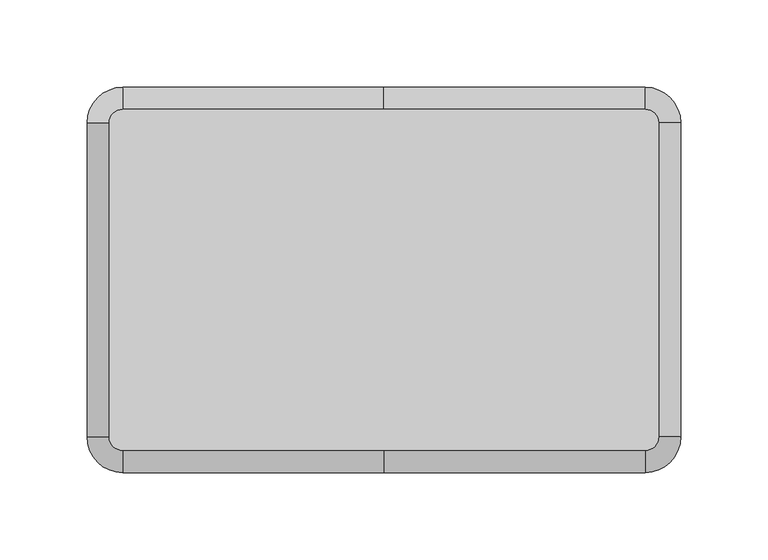
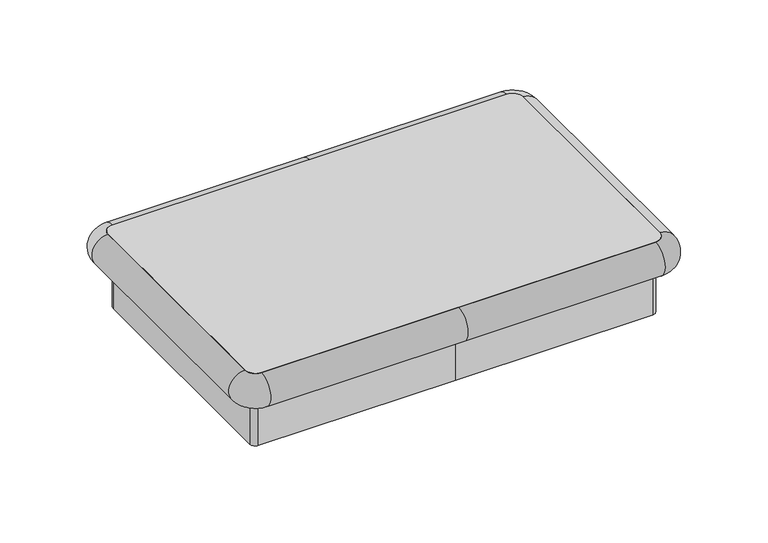
"""IFC4 building model written with IfcOpenShell, lengths in millimetres: proxy geometry."""

from ifc_helpers import new_model, si_unit, point, frame, frame_2d, origin, place, context, project, spatial, polyline, circle_curve, ellipse_curve, trimmed, segment, composite_curve, outline, extrude, source, transform, mapped, element, save
from ifc_brep_helpers import plane_surface, cylinder_surface, revolved_surface, advanced_brep


def specialty_equipment_e327c646(model_context):
    return source(origin(), model_context, "Body", "SolidModel", [
        extrude(outline(composite_curve([segment(trimmed(circle_curve(frame_2d((-149.8055776, -324.7825708)), 7.7557177), [point((-157.5612953, -324.7825708))], [point((-149.8055776, -317.0268531))], False, "CARTESIAN"), True, "CONTINUOUS"), segment(polyline([(-149.8055776, -317.0268531), (149.8055776, -317.0268531)]), True, "CONTINUOUS"), segment(trimmed(circle_curve(frame_2d((149.8055776, -324.7825708)), 7.7557177), [point((149.8055776, -317.0268531))], [point((157.5612953, -324.7825708))], False, "CARTESIAN"), True, "CONTINUOUS"), segment(polyline([(157.5612953, -324.7825708), (157.5612953, -504.9305104)]), True, "CONTINUOUS"), segment(trimmed(circle_curve(frame_2d((149.8055776, -504.9305104)), 7.7557177), [point((157.5612953, -504.9305104))], [point((149.8055776, -512.6862281))], False, "CARTESIAN"), True, "CONTINUOUS"), segment(polyline([(149.8055776, -512.6862281), (-149.8055776, -512.6862281)]), True, "CONTINUOUS"), segment(trimmed(circle_curve(frame_2d((-149.8055776, -504.9305104)), 7.7557177), [point((-149.8055776, -512.6862281))], [point((-157.5612953, -504.9305104))], False, "CARTESIAN"), True, "CONTINUOUS"), segment(polyline([(-157.5612953, -504.9305104), (-157.5612953, -324.7825708)]), True, "CONTINUOUS")], self_intersect=False)), frame((0.0, 0.0, 949.9203125), z_axis=(0.0, 0.0, 1.0), x_axis=(1.0, 0.0, 0.0)), (0.0, 0.0, 1.0), 25.4),
        advanced_brep(
        [(-157.5612953, -324.7825708, 975.3203125), (-149.8055776, -317.0268531, 975.3203125), (-149.8055776, -317.0268531, 949.9203125), (-157.5612953, -324.7825708, 949.9203125), (-157.5612953, -504.9305104, 949.9203125), (-157.5612953, -504.9305104, 975.3203125), (-149.8055776, -512.6862281, 975.3203125), (-149.8055776, -512.6862281, 949.9203125), (0.0, -512.6862281, 949.9203125), (0.0, -512.6862281, 975.3203125), (149.8055776, -512.6862281, 975.3203125), (149.8055776, -512.6862281, 949.9203125), (157.5612953, -504.9305104, 975.3203125), (157.5612953, -504.9305104, 949.9203125), (157.5612953, -324.7825708, 949.9203125), (157.5612953, -324.7825708, 975.3203125), (149.8055776, -317.0268531, 975.3203125), (149.8055776, -317.0268531, 949.9203125), (0.0, -317.0268531, 949.9203125), (0.0, -317.0268531, 975.3203125)],
        [
            (0, 1, circle_curve(frame((-149.8055776, -324.7825708, 975.3203125), z_axis=(0.0, 0.0, -1.0), x_axis=(0.0, 1.0, 0.0)), 7.7557177)),
            (1, 2, circle_curve(frame((-149.8055776, -317.0268531, 962.6203125), z_axis=(-1.0, 0.0, 0.0), x_axis=(0.0, 1.0, 0.0)), 12.7)),
            (2, 3, circle_curve(frame((-149.8055776, -324.7825708, 949.9203125), z_axis=(0.0, 0.0, 1.0), x_axis=(0.0, 1.0, 0.0)), 7.7557177)),
            (3, 0, circle_curve(frame((-157.5612953, -324.7825708, 962.6203125), z_axis=(0.0, 1.0, 0.0), x_axis=(-1.0, 0.0, 0.0)), 12.7)),
            (2, 1),
            (0, 3),
            (3, 4),
            (4, 5, circle_curve(frame((-157.5612953, -504.9305104, 962.6203125), z_axis=(0.0, 1.0, 0.0), x_axis=(-1.0, 0.0, 0.0)), 12.7)),
            (5, 0),
            (5, 4),
            (6, 5, circle_curve(frame((-149.8055776, -504.9305104, 975.3203125), z_axis=(0.0, 0.0, -1.0), x_axis=(-1.0, 0.0, 0.0)), 7.7557177)),
            (4, 7, circle_curve(frame((-149.8055776, -504.9305104, 949.9203125), z_axis=(0.0, 0.0, 1.0), x_axis=(-1.0, 0.0, 0.0)), 7.7557177)),
            (7, 6, circle_curve(frame((-149.8055776, -512.6862281, 962.6203125), z_axis=(-1.0, 0.0, 0.0), x_axis=(0.0, -1.0, 0.0)), 12.7)),
            (6, 7),
            (7, 8),
            (8, 9, circle_curve(frame((0.0, -512.6862281, 962.6203125), z_axis=(-1.0, 0.0, 0.0), x_axis=(0.0, -1.0, 0.0)), 12.7)),
            (9, 6),
            (9, 10),
            (10, 11),
            (11, 8),
            (11, 10, circle_curve(frame((149.8055776, -512.6862281, 962.6203125), z_axis=(-1.0, 0.0, 0.0), x_axis=(0.0, -1.0, 0.0)), 12.7)),
            (12, 10, circle_curve(frame((149.8055776, -504.9305104, 975.3203125), z_axis=(0.0, 0.0, -1.0), x_axis=(0.0, -1.0, 0.0)), 7.7557177)),
            (11, 13, circle_curve(frame((149.8055776, -504.9305104, 949.9203125), z_axis=(0.0, 0.0, 1.0), x_axis=(0.0, -1.0, 0.0)), 7.7557177)),
            (13, 12, circle_curve(frame((157.5612953, -504.9305104, 962.6203125), z_axis=(0.0, -1.0, 0.0), x_axis=(1.0, 0.0, 0.0)), 12.7)),
            (12, 13),
            (13, 14),
            (14, 15, circle_curve(frame((157.5612953, -324.7825708, 962.6203125), z_axis=(0.0, -1.0, 0.0), x_axis=(1.0, 0.0, 0.0)), 12.7)),
            (15, 12),
            (15, 14),
            (16, 15, circle_curve(frame((149.8055776, -324.7825708, 975.3203125), z_axis=(0.0, 0.0, -1.0), x_axis=(1.0, 0.0, 0.0)), 7.7557177)),
            (14, 17, circle_curve(frame((149.8055776, -324.7825708, 949.9203125), z_axis=(0.0, 0.0, 1.0), x_axis=(1.0, 0.0, 0.0)), 7.7557177)),
            (17, 16, circle_curve(frame((149.8055776, -317.0268531, 962.6203125), z_axis=(1.0, 0.0, 0.0), x_axis=(0.0, 1.0, 0.0)), 12.7)),
            (16, 17),
            (17, 18),
            (18, 19, circle_curve(frame((0.0, -317.0268531, 962.6203125), z_axis=(1.0, 0.0, 0.0), x_axis=(0.0, 1.0, 0.0)), 12.7)),
            (19, 16),
            (19, 1),
            (2, 18),
        ],
        [
            revolved_surface(trimmed(ellipse_curve(frame((-149.8055776, -317.0268531, 962.6203125), z_axis=(1.0, 0.0, 0.0), x_axis=(0.0, 1.0, 0.0)), 12.7, 12.7), [point((-149.8055776, -317.0268531, 949.9203125))], [point((-149.8055776, -317.0268531, 975.3203125))], True, "CARTESIAN"), (-149.8055776, -324.7825708, 949.9203125), (0.0, 0.0, 1.0)),
            revolved_surface(polyline([(-149.8055776, -317.0268531, 975.3203125), (-149.8055776, -317.0268531, 949.9203125)]), (-149.8055776, -324.7825708, 949.9203125), (0.0, 0.0, 1.0)),
            cylinder_surface(frame((-157.5612953, -324.7825708, 962.6203125), z_axis=(0.0, 1.0, 0.0), x_axis=(-1.0, 0.0, 0.0)), 12.7),
            plane_surface(frame((-157.5612953, -324.7825708, 975.3203125), z_axis=(1.0, 0.0, 0.0), x_axis=(0.0, -1.0, 0.0))),
            revolved_surface(trimmed(ellipse_curve(frame((-157.5612953, -504.9305104, 962.6203125), z_axis=(0.0, 1.0, 0.0), x_axis=(-1.0, 0.0, 0.0)), 12.7, 12.7), [point((-157.5612953, -504.9305104, 949.9203125))], [point((-157.5612953, -504.9305104, 975.3203125))], True, "CARTESIAN"), (-149.8055776, -504.9305104, 949.9203125), (0.0, 0.0, 1.0)),
            revolved_surface(polyline([(-157.56129529999998, -504.9305104, 975.3203125), (-157.56129529999998, -504.9305104, 949.9203125)]), (-149.8055776, -504.9305104, 949.9203125), (0.0, 0.0, 1.0)),
            cylinder_surface(frame((-149.8055776, -512.6862281, 962.6203125), z_axis=(-1.0, 0.0, 0.0), x_axis=(0.0, -1.0, 0.0)), 12.7),
            plane_surface(frame((-149.8055776, -512.6862281, 975.3203125), z_axis=(0.0, 1.0, 0.0), x_axis=(1.0, 0.0, 0.0))),
            cylinder_surface(frame((0.0, -512.6862281, 962.6203125), z_axis=(-1.0, 0.0, 0.0), x_axis=(0.0, -1.0, 0.0)), 12.7),
            revolved_surface(trimmed(ellipse_curve(frame((149.8055776, -512.6862281, 962.6203125), z_axis=(-1.0, 0.0, 0.0), x_axis=(0.0, -1.0, 0.0)), 12.7, 12.7), [point((149.8055776, -512.6862281, 949.9203125))], [point((149.8055776, -512.6862281, 975.3203125))], True, "CARTESIAN"), (149.8055776, -504.9305104, 949.9203125), (0.0, 0.0, 1.0)),
            revolved_surface(polyline([(149.8055776, -512.6862281, 975.3203125), (149.8055776, -512.6862281, 949.9203125)]), (149.8055776, -504.9305104, 949.9203125), (0.0, 0.0, 1.0)),
            cylinder_surface(frame((157.5612953, -504.9305104, 962.6203125), z_axis=(0.0, -1.0, 0.0), x_axis=(1.0, 0.0, 0.0)), 12.7),
            plane_surface(frame((157.5612953, -504.9305104, 975.3203125), z_axis=(-1.0, 0.0, 0.0), x_axis=(0.0, 1.0, 0.0))),
            revolved_surface(trimmed(ellipse_curve(frame((157.5612953, -324.7825708, 962.6203125), z_axis=(0.0, -1.0, 0.0), x_axis=(1.0, 0.0, 0.0)), 12.7, 12.7), [point((157.5612953, -324.7825708, 949.9203125))], [point((157.5612953, -324.7825708, 975.3203125))], True, "CARTESIAN"), (149.8055776, -324.7825708, 949.9203125), (0.0, 0.0, 1.0)),
            revolved_surface(polyline([(157.56129529999998, -324.7825708, 975.3203125), (157.56129529999998, -324.7825708, 949.9203125)]), (149.8055776, -324.7825708, 949.9203125), (0.0, 0.0, 1.0)),
            cylinder_surface(frame((149.8055776, -317.0268531, 962.6203125), z_axis=(1.0, 0.0, 0.0), x_axis=(0.0, 1.0, 0.0)), 12.7),
            plane_surface(frame((149.8055776, -317.0268531, 975.3203125), z_axis=(0.0, -1.0, 0.0), x_axis=(-1.0, 0.0, 0.0))),
            cylinder_surface(frame((0.0, -317.0268531, 962.6203125), z_axis=(1.0, 0.0, 0.0), x_axis=(0.0, 1.0, 0.0)), 12.7),
        ],
        [
            (0, [[1, 2, 3, 4]]),
            (1, [[-3, 5, -1, 6]]),
            (2, [[-4, 7, 8, 9]]),
            (3, [[-6, -9, 10, -7]]),
            (4, [[11, -8, 12, 13]]),
            (5, [[-12, -10, -11, 14]]),
            (6, [[-13, 15, 16, 17]]),
            (7, [[-14, -17, 18, 19, 20, -15]]),
            (8, [[-16, -20, 21, -18]]),
            (9, [[22, -21, 23, 24]]),
            (10, [[-23, -19, -22, 25]]),
            (11, [[-24, 26, 27, 28]]),
            (12, [[-25, -28, 29, -26]]),
            (13, [[30, -27, 31, 32]]),
            (14, [[-31, -29, -30, 33]]),
            (15, [[-32, 34, 35, 36]]),
            (16, [[-33, -36, 37, -5, 38, -34]]),
            (17, [[-35, -38, -2, -37]]),
        ],
    ),
        extrude(outline(composite_curve([segment(trimmed(circle_curve(frame_2d((-149.8055776, -504.9305104)), 4.0497552), [point((-149.8055776, -508.9802656))], [point((-153.8553328, -504.9305104))], False, "CARTESIAN"), True, "CONTINUOUS"), segment(polyline([(-153.8553328, -504.9305104), (-153.8553328, -324.7825708)]), True, "CONTINUOUS"), segment(trimmed(circle_curve(frame_2d((-149.8055776, -324.7825708)), 4.0497552), [point((-153.8553328, -324.7825708))], [point((-149.8055776, -320.7328156))], False, "CARTESIAN"), True, "CONTINUOUS"), segment(polyline([(-149.8055776, -320.7328156), (0.0, -320.7328156), (149.8055776, -320.7328156)]), True, "CONTINUOUS"), segment(trimmed(circle_curve(frame_2d((149.8055776, -324.7825708)), 4.0497552), [point((149.8055776, -320.7328156))], [point((153.8553328, -324.7825708))], False, "CARTESIAN"), True, "CONTINUOUS"), segment(polyline([(153.8553328, -324.7825708), (153.8553328, -504.9305104)]), True, "CONTINUOUS"), segment(trimmed(circle_curve(frame_2d((149.8055776, -504.9305104)), 4.0497552), [point((153.8553328, -504.9305104))], [point((149.8055776, -508.9802656))], False, "CARTESIAN"), True, "CONTINUOUS"), segment(polyline([(149.8055776, -508.9802656), (0.0, -508.9802656), (-149.8055776, -508.9802656)]), True, "CONTINUOUS")], self_intersect=False)), frame((0.0, 0.0, 914.4), z_axis=(0.0, 0.0, 1.0), x_axis=(1.0, 0.0, 0.0)), (0.0, 0.0, 1.0), 35.5203125),
    ])


if __name__ == "__main__":
    model = new_model("IFC4")
    model_context = context("Model", 3, world=origin())
    ifc_project = project(units=[si_unit("LENGTHUNIT", "METRE", prefix="MILLI")], contexts=[model_context])
    site = spatial("IfcSite", under=ifc_project)
    building = spatial("IfcBuilding", under=site)
    placement = place(None, origin())
    specialty_equipment_shape = specialty_equipment_e327c646(model_context)
    element("IfcBuildingElementProxy", 1, Name="Specialty Equipment", at=placement, inside=building, context=model_context, shape_type="MappedRepresentation", body=[
        mapped(specialty_equipment_shape, transform((0.0, 0.0, 0.0), x_axis=(1.0, 0.0, 0.0), y_axis=(0.0, 1.0, 0.0), z_axis=(0.0, 0.0, 1.0))),
    ])
    save(model, "model.ifc")
